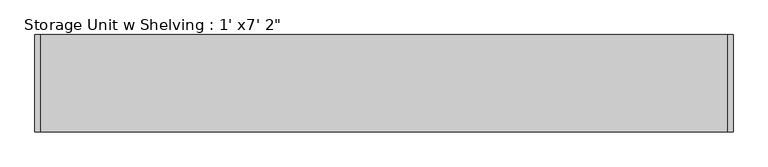
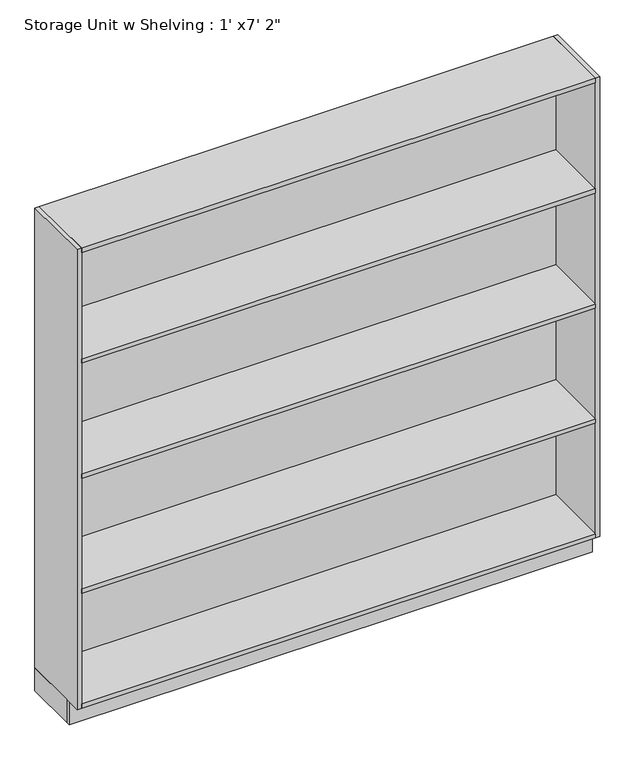
"""IFC4 building model written with IfcOpenShell, lengths in millimetres: furniture geometry."""

import ifcopenshell
import ifcopenshell.guid

model = None  # the IFC model being written
_history = None  # IfcOwnerHistory: only IFC2X3 demands one
_inside = {}  # id of a spatial element -> (the spatial element, [elements in it])
_under = {}  # id of a project, library or spatial element -> (it, [spatial elements below it])
_declared = {}  # id of a project -> (the project, [libraries it declares])
_typed = {}  # id of a type object -> (the type object, [elements of that type])
_made_of = {}  # id of a material, layer set ... -> (it, [elements and type objects made of it])


def new_model(schema):
    """Start an empty IFC model of exactly this schema.

    Asked for "IFC4X3", IfcOpenShell would pick the latest addendum, in which some entities
    have other attributes; the version numbers below select the first issue.
    IFC2X3 requires an IfcOwnerHistory on every rooted entity: one is made here for all.
    """
    global model, _history
    if schema == "IFC4X3":
        model = ifcopenshell.file(schema_version=(4, 3, 0, 0))
    else:
        model = ifcopenshell.file(schema=schema)
    _inside.clear()
    _under.clear()
    _declared.clear()
    _typed.clear()
    _made_of.clear()
    _history = None
    if model.schema == "IFC2X3":
        org = make("IfcOrganization", Name="unknown")
        user = make(
            "IfcPersonAndOrganization",
            ThePerson=make("IfcPerson", FamilyName="unknown"),
            TheOrganization=org,
        )
        app = make(
            "IfcApplication",
            ApplicationDeveloper=org,
            Version="unknown",
            ApplicationFullName="unknown",
            ApplicationIdentifier="unknown",
        )
        _history = make(
            "IfcOwnerHistory",
            OwningUser=user,
            OwningApplication=app,
            ChangeAction="ADDED",
            CreationDate=0,
        )
    return model


def make(cls, **values):
    """One entity of the class cls with the attributes given. An attribute that is None is left unset."""
    return model.create_entity(
        cls, **{name: value for name, value in values.items() if value is not None}
    )


def rooted(cls, **values):
    """An entity with a GlobalId (a new one), such as an element, a storey or a relation."""
    return make(cls, GlobalId=ifcopenshell.guid.new(), OwnerHistory=_history, **values)


def si_unit(unit_type, name, prefix=None):
    """IfcSIUnit, for example si_unit("LENGTHUNIT", "METRE", prefix="MILLI")."""
    return make("IfcSIUnit", UnitType=unit_type, Prefix=prefix, Name=name)


def assignment(units):
    """IfcUnitAssignment: the units of a project."""
    return None if units is None else make("IfcUnitAssignment", Units=units)


def point(xyz):
    """IfcCartesianPoint."""
    return None if xyz is None else make("IfcCartesianPoint", Coordinates=xyz)


def direction(xyz):
    """IfcDirection."""
    return None if xyz is None else make("IfcDirection", DirectionRatios=xyz)


def frame(location, z_axis=None, x_axis=None):
    """IfcAxis2Placement3D, a coordinate frame: its origin and axes. An axis left out is left unset."""
    return make(
        "IfcAxis2Placement3D",
        Location=point(location),
        Axis=direction(z_axis),
        RefDirection=direction(x_axis),
    )


def origin():
    """The frame at (0, 0, 0) with its axes left unset."""
    return frame((0.0, 0.0, 0.0))


def origin_with_axes():
    """The frame at (0, 0, 0) with the z axis (0, 0, 1) and the x axis (1, 0, 0) written out."""
    return frame((0.0, 0.0, 0.0), z_axis=(0.0, 0.0, 1.0), x_axis=(1.0, 0.0, 0.0))


def place(relative_to, where):
    """IfcLocalPlacement: puts the frame where relative to a parent placement (None: the world)."""
    return make(
        "IfcLocalPlacement", PlacementRelTo=relative_to, RelativePlacement=where
    )


def context(
    kind, dimensions, precision=None, world=None, true_north=None, identifier=None
):
    """IfcGeometricRepresentationContext, for example the 3D "Model" context."""
    return make(
        "IfcGeometricRepresentationContext",
        ContextIdentifier=identifier,
        ContextType=kind,
        CoordinateSpaceDimension=dimensions,
        Precision=precision,
        WorldCoordinateSystem=world,
        TrueNorth=true_north,
    )


def project(units=None, contexts=None):
    """IfcProject with its units and contexts."""
    return rooted(
        "IfcProject",
        Name="project",
        RepresentationContexts=contexts,
        UnitsInContext=assignment(units),
    )


def spatial(cls, under=None, at=None, **own):
    """A site, building, storey or space (cls), placed at a placement, below another one or the project."""
    s = rooted(cls, ObjectPlacement=at, **own)
    if under is not None:
        _under.setdefault(under.id(), (under, []))[1].append(s)
    return s


def polyline(points):
    """IfcPolyline through the points."""
    return make("IfcPolyline", Points=[point(p) for p in points])


def outline(outer, holes=None, kind="AREA"):
    """IfcArbitraryClosedProfileDef: a profile drawn as a closed curve; with holes, ...WithVoids."""
    if holes is None:
        return make("IfcArbitraryClosedProfileDef", ProfileType=kind, OuterCurve=outer)
    return make(
        "IfcArbitraryProfileDefWithVoids",
        ProfileType=kind,
        OuterCurve=outer,
        InnerCurves=holes,
    )


def extrude(swept, where, along, depth):
    """IfcExtrudedAreaSolid: the profile swept, set in the frame where, extruded along a direction by depth."""
    return make(
        "IfcExtrudedAreaSolid",
        SweptArea=swept,
        Position=where,
        ExtrudedDirection=direction(along),
        Depth=depth,
    )


def shape(context_of_items, identifier, shape_type, items):
    """IfcShapeRepresentation: the items that make up one representation, for example the "Body"."""
    return make(
        "IfcShapeRepresentation",
        ContextOfItems=context_of_items,
        RepresentationIdentifier=identifier,
        RepresentationType=shape_type,
        Items=items,
    )


def source(mapping_origin, context_of_items, identifier, shape_type, items):
    """IfcRepresentationMap: a shape defined once, which mapped items show again and again."""
    return make(
        "IfcRepresentationMap",
        MappingOrigin=mapping_origin,
        MappedRepresentation=shape(context_of_items, identifier, shape_type, items),
    )


def transform(
    local_origin,
    x_axis=None,
    y_axis=None,
    z_axis=None,
    scale=None,
    scale2=None,
    scale3=None,
    uniform=True,
):
    """IfcCartesianTransformationOperator3D, or its non-uniform kind. x_axis, y_axis, z_axis: its Axis1, 2, 3."""
    if uniform:
        return make(
            "IfcCartesianTransformationOperator3D",
            Axis1=direction(x_axis),
            Axis2=direction(y_axis),
            LocalOrigin=point(local_origin),
            Scale=scale,
            Axis3=direction(z_axis),
        )
    return make(
        "IfcCartesianTransformationOperator3DnonUniform",
        Axis1=direction(x_axis),
        Axis2=direction(y_axis),
        LocalOrigin=point(local_origin),
        Scale=scale,
        Axis3=direction(z_axis),
        Scale2=scale2,
        Scale3=scale3,
    )


def mapped(mapping_source, mapping_target):
    """IfcMappedItem: shows the shape of a source again, moved by a transform."""
    return make(
        "IfcMappedItem", MappingSource=mapping_source, MappingTarget=mapping_target
    )


def made_of(thing, what):
    """Note that an element or type object is made of a material, layer set ...; save() writes the relation."""
    if what is not None:
        _made_of.setdefault(what.id(), (what, []))[1].append(thing)
    return thing


def element(
    cls,
    number,
    at=None,
    inside=None,
    cuts=None,
    type_object=None,
    material=None,
    context=None,
    identifier="Body",
    shape_type=None,
    held_by="IfcProductDefinitionShape",
    body=None,
    shapes=None,
    **own,
):
    """One element of the class cls, such as IfcWall. Its Tag is "e" and its number.

    at: its placement. inside: the storey or other place that contains it. cuts: it is an
    opening in that element (IfcRelVoidsElement). A single representation is given by context,
    identifier, shape_type and body (its items); several are given by shapes. held_by: the class
    of the entity that holds the representations. save() writes the other relations.
    """
    e = rooted(cls, Tag="e%d" % number, ObjectPlacement=at, **own)
    if body is not None:
        shapes = [shape(context, identifier, shape_type, body)]
    if shapes is not None:
        e.Representation = make(held_by, Representations=shapes)
    if inside is not None:
        _inside.setdefault(inside.id(), (inside, []))[1].append(e)
    if cuts is not None:
        rooted(
            "IfcRelVoidsElement", RelatingBuildingElement=cuts, RelatedOpeningElement=e
        )
    if type_object is not None:
        _typed.setdefault(type_object.id(), (type_object, []))[1].append(e)
    return made_of(e, material)


def aggregate(whole, parts):
    """IfcRelAggregates: a whole, such as a stair, and the parts it consists of."""
    return rooted("IfcRelAggregates", RelatingObject=whole, RelatedObjects=parts)


def save(model, path):
    """Write the relations noted so far, then the file.

    IfcRelAggregates (storeys below a building ...), IfcRelContainedInSpatialStructure (elements
    in a storey), IfcRelDefinesByType, IfcRelAssociatesMaterial and IfcRelDeclares: one each for
    every whole, place, type object, material and project.
    """
    for whole, parts in _under.values():
        aggregate(whole, parts)
    for where, things in _inside.values():
        rooted(
            "IfcRelContainedInSpatialStructure",
            RelatedElements=things,
            RelatingStructure=where,
        )
    for kind, things in _typed.values():
        rooted("IfcRelDefinesByType", RelatedObjects=things, RelatingType=kind)
    for what, things in _made_of.values():
        rooted("IfcRelAssociatesMaterial", RelatedObjects=things, RelatingMaterial=what)
    for by, libraries in _declared.values():
        rooted("IfcRelDeclares", RelatingContext=by, RelatedDefinitions=libraries)
    model.write(path)


def furniture_ce02275e(model_context):
    return source(origin(), model_context, "Body", "SweptSolid", [
        extrude(outline(polyline([(967.390969, -228.6), (967.390969, 0.0), (986.440969, 0.0), (986.440969, -228.6), (967.390969, -228.6)])), origin_with_axes(), (0.0, 0.0, 1.0), 101.6),
        extrude(outline(polyline([(-1197.959031, -228.6), (-1197.959031, 0.0), (-1178.909031, 0.0), (-1178.909031, -228.6), (-1197.959031, -228.6)])), origin_with_axes(), (0.0, 0.0, 1.0), 101.6),
        extrude(outline(polyline([(967.390969, -19.05), (967.390969, -304.8), (-1178.909031, -304.8), (-1178.909031, -19.05), (967.390969, -19.05)])), frame((0.0, 0.0, 1625.6), z_axis=(0.0, 0.0, 1.0), x_axis=(1.0, 0.0, 0.0)), (0.0, 0.0, 1.0), 19.05),
        extrude(outline(polyline([(967.390969, -19.05), (967.390969, -304.8), (-1178.909031, -304.8), (-1178.909031, -19.05), (967.390969, -19.05)])), frame((0.0, 0.0, 1117.6), z_axis=(0.0, 0.0, 1.0), x_axis=(1.0, 0.0, 0.0)), (0.0, 0.0, 1.0), 19.05),
        extrude(outline(polyline([(967.390969, -19.05), (967.390969, -304.8), (-1178.909031, -304.8), (-1178.909031, -19.05), (967.390969, -19.05)])), frame((0.0, 0.0, 609.6), z_axis=(0.0, 0.0, 1.0), x_axis=(1.0, 0.0, 0.0)), (0.0, 0.0, 1.0), 19.05),
        extrude(outline(polyline([(967.390969, -19.05), (967.390969, -304.8), (-1178.909031, -304.8), (-1178.909031, -19.05), (967.390969, -19.05)])), frame((0.0, 0.0, 101.6), z_axis=(0.0, 0.0, 1.0), x_axis=(1.0, 0.0, 0.0)), (0.0, 0.0, 1.0), 19.05),
        extrude(outline(polyline([(967.390969, -19.05), (-1178.909031, -19.05), (-1178.909031, 0.0), (967.390969, 0.0), (967.390969, -19.05)])), origin_with_axes(), (0.0, 0.0, 1.0), 2114.55),
        extrude(outline(polyline([(967.390969, 0.0), (967.390969, -304.8), (-1178.909031, -304.8), (-1178.909031, 0.0), (967.390969, 0.0)])), frame((0.0, 0.0, 2114.55), z_axis=(0.0, 0.0, 1.0), x_axis=(1.0, 0.0, 0.0)), (0.0, 0.0, 1.0), 19.05),
        extrude(outline(polyline([(967.390969, -304.8), (967.390969, 0.0), (986.440969, 0.0), (986.440969, -304.8), (967.390969, -304.8)])), frame((0.0, 0.0, 101.6), z_axis=(0.0, 0.0, 1.0), x_axis=(1.0, 0.0, 0.0)), (0.0, 0.0, 1.0), 2032.0),
        extrude(outline(polyline([(-1197.959031, -304.8), (-1197.959031, 0.0), (-1178.909031, 0.0), (-1178.909031, -304.8), (-1197.959031, -304.8)])), frame((0.0, 0.0, 101.6), z_axis=(0.0, 0.0, 1.0), x_axis=(1.0, 0.0, 0.0)), (0.0, 0.0, 1.0), 2032.0),
        extrude(outline(polyline([(-1197.959031, -247.65), (-1197.959031, -228.6), (986.440969, -228.6), (986.440969, -247.65), (-1197.959031, -247.65)])), origin_with_axes(), (0.0, 0.0, 1.0), 101.6),
    ])


if __name__ == "__main__":
    model = new_model("IFC4")
    model_context = context("Model", 3, world=origin())
    ifc_project = project(units=[si_unit("LENGTHUNIT", "METRE", prefix="MILLI")], contexts=[model_context])
    site = spatial("IfcSite", under=ifc_project)
    building = spatial("IfcBuilding", under=site)
    placement = place(None, origin())
    furniture_shape = furniture_ce02275e(model_context)
    element("IfcFurniture", 1, ObjectType="Storage Unit w Shelving : 1' x7' 2\"", at=placement, inside=building, context=model_context, shape_type="MappedRepresentation", body=[
        mapped(furniture_shape, transform((0.0, 0.0, 0.0), x_axis=(1.0, 0.0, 0.0), y_axis=(0.0, 1.0, 0.0), z_axis=(0.0, 0.0, 1.0))),
    ])
    save(model, "model.ifc")
